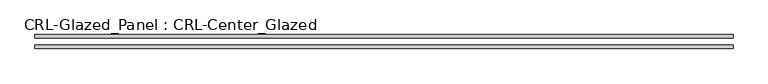
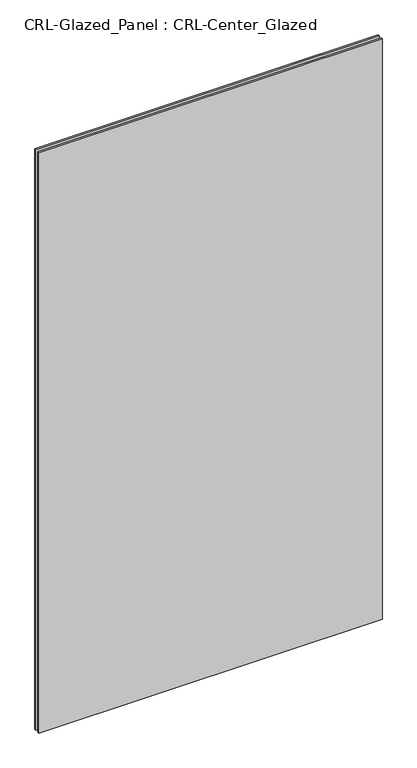
"""IFC4 building model written with IfcOpenShell, lengths in millimetres: plate geometry, CRL-Glazed_Panel : CRL-Center_Glazed."""

import ifcopenshell
import ifcopenshell.guid

model = None  # the IFC model being written
_history = None  # IfcOwnerHistory: only IFC2X3 demands one
_inside = {}  # id of a spatial element -> (the spatial element, [elements in it])
_under = {}  # id of a project, library or spatial element -> (it, [spatial elements below it])
_declared = {}  # id of a project -> (the project, [libraries it declares])
_typed = {}  # id of a type object -> (the type object, [elements of that type])
_made_of = {}  # id of a material, layer set ... -> (it, [elements and type objects made of it])


def new_model(schema):
    """Start an empty IFC model of exactly this schema.

    Asked for "IFC4X3", IfcOpenShell would pick the latest addendum, in which some entities
    have other attributes; the version numbers below select the first issue.
    IFC2X3 requires an IfcOwnerHistory on every rooted entity: one is made here for all.
    """
    global model, _history
    if schema == "IFC4X3":
        model = ifcopenshell.file(schema_version=(4, 3, 0, 0))
    else:
        model = ifcopenshell.file(schema=schema)
    _inside.clear()
    _under.clear()
    _declared.clear()
    _typed.clear()
    _made_of.clear()
    _history = None
    if model.schema == "IFC2X3":
        org = make("IfcOrganization", Name="unknown")
        user = make(
            "IfcPersonAndOrganization",
            ThePerson=make("IfcPerson", FamilyName="unknown"),
            TheOrganization=org,
        )
        app = make(
            "IfcApplication",
            ApplicationDeveloper=org,
            Version="unknown",
            ApplicationFullName="unknown",
            ApplicationIdentifier="unknown",
        )
        _history = make(
            "IfcOwnerHistory",
            OwningUser=user,
            OwningApplication=app,
            ChangeAction="ADDED",
            CreationDate=0,
        )
    return model


def make(cls, **values):
    """One entity of the class cls with the attributes given. An attribute that is None is left unset."""
    return model.create_entity(
        cls, **{name: value for name, value in values.items() if value is not None}
    )


def rooted(cls, **values):
    """An entity with a GlobalId (a new one), such as an element, a storey or a relation."""
    return make(cls, GlobalId=ifcopenshell.guid.new(), OwnerHistory=_history, **values)


def si_unit(unit_type, name, prefix=None):
    """IfcSIUnit, for example si_unit("LENGTHUNIT", "METRE", prefix="MILLI")."""
    return make("IfcSIUnit", UnitType=unit_type, Prefix=prefix, Name=name)


def assignment(units):
    """IfcUnitAssignment: the units of a project."""
    return None if units is None else make("IfcUnitAssignment", Units=units)


def point(xyz):
    """IfcCartesianPoint."""
    return None if xyz is None else make("IfcCartesianPoint", Coordinates=xyz)


def direction(xyz):
    """IfcDirection."""
    return None if xyz is None else make("IfcDirection", DirectionRatios=xyz)


def frame(location, z_axis=None, x_axis=None):
    """IfcAxis2Placement3D, a coordinate frame: its origin and axes. An axis left out is left unset."""
    return make(
        "IfcAxis2Placement3D",
        Location=point(location),
        Axis=direction(z_axis),
        RefDirection=direction(x_axis),
    )


def origin():
    """The frame at (0, 0, 0) with its axes left unset."""
    return frame((0.0, 0.0, 0.0))


def origin_with_axes():
    """The frame at (0, 0, 0) with the z axis (0, 0, 1) and the x axis (1, 0, 0) written out."""
    return frame((0.0, 0.0, 0.0), z_axis=(0.0, 0.0, 1.0), x_axis=(1.0, 0.0, 0.0))


def place(relative_to, where):
    """IfcLocalPlacement: puts the frame where relative to a parent placement (None: the world)."""
    return make(
        "IfcLocalPlacement", PlacementRelTo=relative_to, RelativePlacement=where
    )


def context(
    kind, dimensions, precision=None, world=None, true_north=None, identifier=None
):
    """IfcGeometricRepresentationContext, for example the 3D "Model" context."""
    return make(
        "IfcGeometricRepresentationContext",
        ContextIdentifier=identifier,
        ContextType=kind,
        CoordinateSpaceDimension=dimensions,
        Precision=precision,
        WorldCoordinateSystem=world,
        TrueNorth=true_north,
    )


def project(units=None, contexts=None):
    """IfcProject with its units and contexts."""
    return rooted(
        "IfcProject",
        Name="project",
        RepresentationContexts=contexts,
        UnitsInContext=assignment(units),
    )


def spatial(cls, under=None, at=None, **own):
    """A site, building, storey or space (cls), placed at a placement, below another one or the project."""
    s = rooted(cls, ObjectPlacement=at, **own)
    if under is not None:
        _under.setdefault(under.id(), (under, []))[1].append(s)
    return s


def polyline(points):
    """IfcPolyline through the points."""
    return make("IfcPolyline", Points=[point(p) for p in points])


def outline(outer, holes=None, kind="AREA"):
    """IfcArbitraryClosedProfileDef: a profile drawn as a closed curve; with holes, ...WithVoids."""
    if holes is None:
        return make("IfcArbitraryClosedProfileDef", ProfileType=kind, OuterCurve=outer)
    return make(
        "IfcArbitraryProfileDefWithVoids",
        ProfileType=kind,
        OuterCurve=outer,
        InnerCurves=holes,
    )


def extrude(swept, where, along, depth):
    """IfcExtrudedAreaSolid: the profile swept, set in the frame where, extruded along a direction by depth."""
    return make(
        "IfcExtrudedAreaSolid",
        SweptArea=swept,
        Position=where,
        ExtrudedDirection=direction(along),
        Depth=depth,
    )


def shape(context_of_items, identifier, shape_type, items):
    """IfcShapeRepresentation: the items that make up one representation, for example the "Body"."""
    return make(
        "IfcShapeRepresentation",
        ContextOfItems=context_of_items,
        RepresentationIdentifier=identifier,
        RepresentationType=shape_type,
        Items=items,
    )


def source(mapping_origin, context_of_items, identifier, shape_type, items):
    """IfcRepresentationMap: a shape defined once, which mapped items show again and again."""
    return make(
        "IfcRepresentationMap",
        MappingOrigin=mapping_origin,
        MappedRepresentation=shape(context_of_items, identifier, shape_type, items),
    )


def transform(
    local_origin,
    x_axis=None,
    y_axis=None,
    z_axis=None,
    scale=None,
    scale2=None,
    scale3=None,
    uniform=True,
):
    """IfcCartesianTransformationOperator3D, or its non-uniform kind. x_axis, y_axis, z_axis: its Axis1, 2, 3."""
    if uniform:
        return make(
            "IfcCartesianTransformationOperator3D",
            Axis1=direction(x_axis),
            Axis2=direction(y_axis),
            LocalOrigin=point(local_origin),
            Scale=scale,
            Axis3=direction(z_axis),
        )
    return make(
        "IfcCartesianTransformationOperator3DnonUniform",
        Axis1=direction(x_axis),
        Axis2=direction(y_axis),
        LocalOrigin=point(local_origin),
        Scale=scale,
        Axis3=direction(z_axis),
        Scale2=scale2,
        Scale3=scale3,
    )


def mapped(mapping_source, mapping_target):
    """IfcMappedItem: shows the shape of a source again, moved by a transform."""
    return make(
        "IfcMappedItem", MappingSource=mapping_source, MappingTarget=mapping_target
    )


def made_of(thing, what):
    """Note that an element or type object is made of a material, layer set ...; save() writes the relation."""
    if what is not None:
        _made_of.setdefault(what.id(), (what, []))[1].append(thing)
    return thing


def element(
    cls,
    number,
    at=None,
    inside=None,
    cuts=None,
    type_object=None,
    material=None,
    context=None,
    identifier="Body",
    shape_type=None,
    held_by="IfcProductDefinitionShape",
    body=None,
    shapes=None,
    **own,
):
    """One element of the class cls, such as IfcWall. Its Tag is "e" and its number.

    at: its placement. inside: the storey or other place that contains it. cuts: it is an
    opening in that element (IfcRelVoidsElement). A single representation is given by context,
    identifier, shape_type and body (its items); several are given by shapes. held_by: the class
    of the entity that holds the representations. save() writes the other relations.
    """
    e = rooted(cls, Tag="e%d" % number, ObjectPlacement=at, **own)
    if body is not None:
        shapes = [shape(context, identifier, shape_type, body)]
    if shapes is not None:
        e.Representation = make(held_by, Representations=shapes)
    if inside is not None:
        _inside.setdefault(inside.id(), (inside, []))[1].append(e)
    if cuts is not None:
        rooted(
            "IfcRelVoidsElement", RelatingBuildingElement=cuts, RelatedOpeningElement=e
        )
    if type_object is not None:
        _typed.setdefault(type_object.id(), (type_object, []))[1].append(e)
    return made_of(e, material)


def aggregate(whole, parts):
    """IfcRelAggregates: a whole, such as a stair, and the parts it consists of."""
    return rooted("IfcRelAggregates", RelatingObject=whole, RelatedObjects=parts)


def save(model, path):
    """Write the relations noted so far, then the file.

    IfcRelAggregates (storeys below a building ...), IfcRelContainedInSpatialStructure (elements
    in a storey), IfcRelDefinesByType, IfcRelAssociatesMaterial and IfcRelDeclares: one each for
    every whole, place, type object, material and project.
    """
    for whole, parts in _under.values():
        aggregate(whole, parts)
    for where, things in _inside.values():
        rooted(
            "IfcRelContainedInSpatialStructure",
            RelatedElements=things,
            RelatingStructure=where,
        )
    for kind, things in _typed.values():
        rooted("IfcRelDefinesByType", RelatedObjects=things, RelatingType=kind)
    for what, things in _made_of.values():
        rooted("IfcRelAssociatesMaterial", RelatedObjects=things, RelatingMaterial=what)
    for by, libraries in _declared.values():
        rooted("IfcRelDeclares", RelatingContext=by, RelatedDefinitions=libraries)
    model.write(path)


def crl_glazed_panel_crl_center_glazed_eb109f53(model_context):
    return source(origin(), model_context, "Body", "SweptSolid", [
        extrude(outline(polyline([(629.8195844, 12.7), (629.8195844, 6.35), (-629.8195844, 6.35), (-629.8195844, 12.7), (629.8195844, 12.7)])), origin_with_axes(), (0.0, 0.0, 1.0), 2252.8534064),
        extrude(outline(polyline([(-629.8195844, -6.35), (629.8195844, -6.35), (629.8195844, -12.7), (-629.8195844, -12.7), (-629.8195844, -6.35)])), origin_with_axes(), (0.0, 0.0, 1.0), 2252.8534064),
    ])


if __name__ == "__main__":
    model = new_model("IFC4")
    model_context = context("Model", 3, world=origin())
    ifc_project = project(units=[si_unit("LENGTHUNIT", "METRE", prefix="MILLI")], contexts=[model_context])
    site = spatial("IfcSite", under=ifc_project)
    building = spatial("IfcBuilding", under=site)
    placement = place(None, origin())
    crl_glazed_panel_crl_center_glazed_shape = crl_glazed_panel_crl_center_glazed_eb109f53(model_context)
    element("IfcPlate", 1, ObjectType="CRL-Glazed_Panel : CRL-Center_Glazed", at=placement, inside=building, context=model_context, shape_type="MappedRepresentation", body=[
        mapped(crl_glazed_panel_crl_center_glazed_shape, transform((0.0, 0.0, 0.0), x_axis=(1.0, 0.0, 0.0), y_axis=(0.0, 1.0, 0.0), z_axis=(0.0, 0.0, 1.0))),
    ])
    save(model, "model.ifc")
